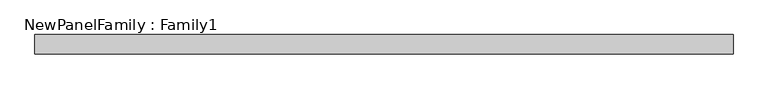
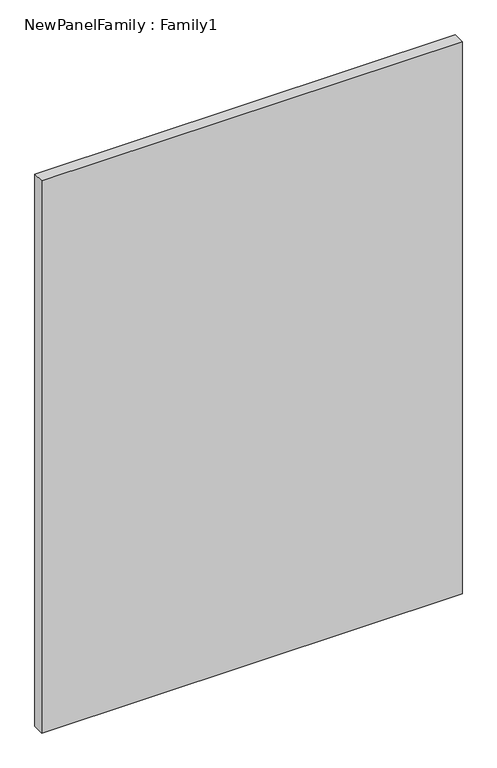
"""IFC4 building model written with IfcOpenShell, lengths in millimetres: proxy geometry, NewPanelFamily : Family1."""

from ifc_helpers import new_model, si_unit, origin, origin_with_axes, place, context, project, spatial, polyline, outline, extrude, source, transform, mapped, element, save


def newpanelfamily_family1_81fe7a0a(model_context):
    return source(origin(), model_context, "Body", "SweptSolid", [
        extrude(outline(polyline([(900.0, 25.0), (900.0, -25.0), (-900.0, -25.0), (-900.0, 25.0), (900.0, 25.0)])), origin_with_axes(), (0.0, 0.0, 1.0), 2500.0),
    ])


if __name__ == "__main__":
    model = new_model("IFC4")
    model_context = context("Model", 3, world=origin())
    ifc_project = project(units=[si_unit("LENGTHUNIT", "METRE", prefix="MILLI")], contexts=[model_context])
    site = spatial("IfcSite", under=ifc_project)
    building = spatial("IfcBuilding", under=site)
    placement = place(None, origin())
    newpanelfamily_family1_shape = newpanelfamily_family1_81fe7a0a(model_context)
    element("IfcBuildingElementProxy", 1, Name="NewPanelFamily : Family1", ObjectType="NewPanelFamily : Family1", at=placement, inside=building, context=model_context, shape_type="MappedRepresentation", body=[
        mapped(newpanelfamily_family1_shape, transform((0.0, 0.0, 0.0), x_axis=(1.0, 0.0, 0.0), y_axis=(0.0, 1.0, 0.0), z_axis=(0.0, 0.0, 1.0))),
    ])
    save(model, "model.ifc")
